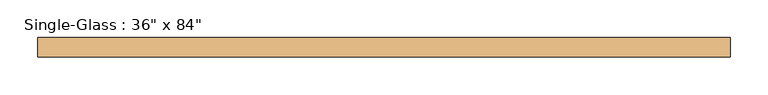
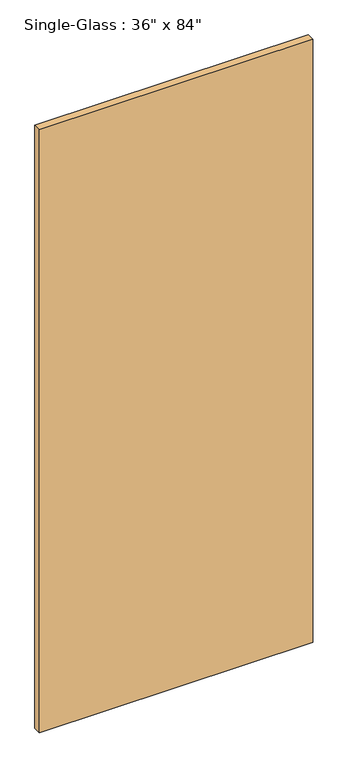
"""IFC4 building model written with IfcOpenShell, lengths in millimetres: door geometry."""

from ifc_helpers import new_model, si_unit, origin, origin_with_axes, place, context, project, spatial, polyline, outline, extrude, source, transform, mapped, element, save


def door_100f1dd2(model_context):
    return source(origin(), model_context, "Body", "SweptSolid", [
        extrude(outline(polyline([(457.2, 0.0), (457.2, -25.4), (-457.2, -25.4), (-457.2, 0.0), (457.2, 0.0)])), origin_with_axes(), (0.0, 0.0, 1.0), 2133.6),
    ])


if __name__ == "__main__":
    model = new_model("IFC4")
    model_context = context("Model", 3, world=origin())
    ifc_project = project(units=[si_unit("LENGTHUNIT", "METRE", prefix="MILLI")], contexts=[model_context])
    site = spatial("IfcSite", under=ifc_project)
    building = spatial("IfcBuilding", under=site)
    placement = place(None, origin())
    door_shape = door_100f1dd2(model_context)
    element("IfcDoor", 1, ObjectType="Single-Glass : 36\" x 84\"", at=placement, inside=building, context=model_context, shape_type="MappedRepresentation", body=[
        mapped(door_shape, transform((0.0, 0.0, 0.0), x_axis=(1.0, 0.0, 0.0), y_axis=(0.0, 1.0, 0.0), z_axis=(0.0, 0.0, 1.0))),
    ])
    save(model, "model.ifc")
